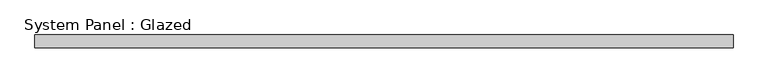
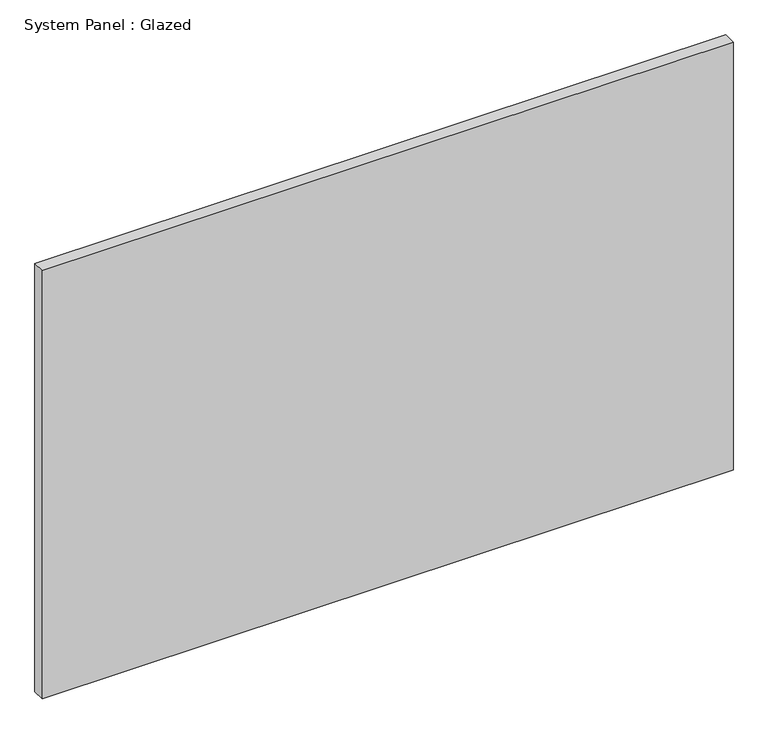
"""IFC4 building model written with IfcOpenShell, lengths in millimetres: plate geometry, System Panel : Glazed."""

from ifc_helpers import new_model, si_unit, origin, origin_with_axes, place, context, project, spatial, polyline, outline, extrude, source, transform, mapped, element, save


def system_panel_glazed_1d760ec1(model_context):
    return source(origin(), model_context, "Body", "SweptSolid", [
        extrude(outline(polyline([(697.5881809, 19.05), (-697.5881809, 19.05), (-697.5881809, 44.45), (697.5881809, 44.45), (697.5881809, 19.05)])), origin_with_axes(), (0.0, 0.0, 1.0), 914.4),
    ])


if __name__ == "__main__":
    model = new_model("IFC4")
    model_context = context("Model", 3, world=origin())
    ifc_project = project(units=[si_unit("LENGTHUNIT", "METRE", prefix="MILLI")], contexts=[model_context])
    site = spatial("IfcSite", under=ifc_project)
    building = spatial("IfcBuilding", under=site)
    placement = place(None, origin())
    system_panel_glazed_shape = system_panel_glazed_1d760ec1(model_context)
    element("IfcPlate", 1, ObjectType="System Panel : Glazed", at=placement, inside=building, context=model_context, shape_type="MappedRepresentation", body=[
        mapped(system_panel_glazed_shape, transform((0.0, 0.0, 0.0), x_axis=(1.0, 0.0, 0.0), y_axis=(0.0, 1.0, 0.0), z_axis=(0.0, 0.0, 1.0))),
    ])
    save(model, "model.ifc")
